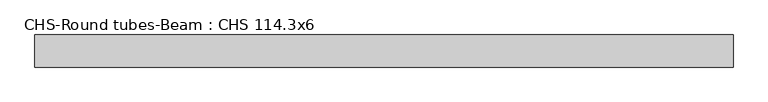
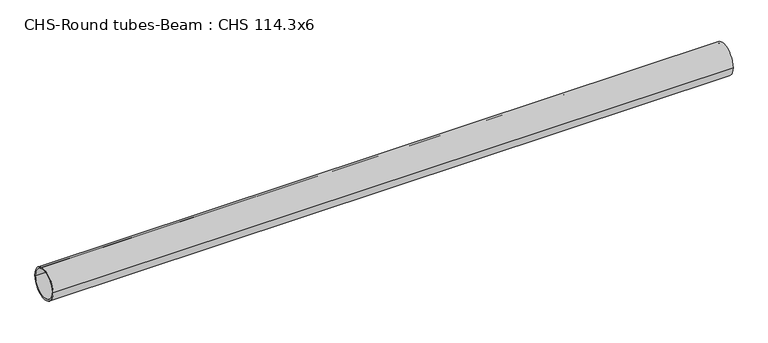
"""IFC4 building model written with IfcOpenShell, lengths in millimetres: beam geometry, CHS-Round tubes-Beam : CHS 114.3x6."""

import ifcopenshell
import ifcopenshell.guid

model = None  # the IFC model being written
_history = None  # IfcOwnerHistory: only IFC2X3 demands one
_inside = {}  # id of a spatial element -> (the spatial element, [elements in it])
_under = {}  # id of a project, library or spatial element -> (it, [spatial elements below it])
_declared = {}  # id of a project -> (the project, [libraries it declares])
_typed = {}  # id of a type object -> (the type object, [elements of that type])
_made_of = {}  # id of a material, layer set ... -> (it, [elements and type objects made of it])


def new_model(schema):
    """Start an empty IFC model of exactly this schema.

    Asked for "IFC4X3", IfcOpenShell would pick the latest addendum, in which some entities
    have other attributes; the version numbers below select the first issue.
    IFC2X3 requires an IfcOwnerHistory on every rooted entity: one is made here for all.
    """
    global model, _history
    if schema == "IFC4X3":
        model = ifcopenshell.file(schema_version=(4, 3, 0, 0))
    else:
        model = ifcopenshell.file(schema=schema)
    _inside.clear()
    _under.clear()
    _declared.clear()
    _typed.clear()
    _made_of.clear()
    _history = None
    if model.schema == "IFC2X3":
        org = make("IfcOrganization", Name="unknown")
        user = make(
            "IfcPersonAndOrganization",
            ThePerson=make("IfcPerson", FamilyName="unknown"),
            TheOrganization=org,
        )
        app = make(
            "IfcApplication",
            ApplicationDeveloper=org,
            Version="unknown",
            ApplicationFullName="unknown",
            ApplicationIdentifier="unknown",
        )
        _history = make(
            "IfcOwnerHistory",
            OwningUser=user,
            OwningApplication=app,
            ChangeAction="ADDED",
            CreationDate=0,
        )
    return model


def make(cls, **values):
    """One entity of the class cls with the attributes given. An attribute that is None is left unset."""
    return model.create_entity(
        cls, **{name: value for name, value in values.items() if value is not None}
    )


def rooted(cls, **values):
    """An entity with a GlobalId (a new one), such as an element, a storey or a relation."""
    return make(cls, GlobalId=ifcopenshell.guid.new(), OwnerHistory=_history, **values)


def si_unit(unit_type, name, prefix=None):
    """IfcSIUnit, for example si_unit("LENGTHUNIT", "METRE", prefix="MILLI")."""
    return make("IfcSIUnit", UnitType=unit_type, Prefix=prefix, Name=name)


def assignment(units):
    """IfcUnitAssignment: the units of a project."""
    return None if units is None else make("IfcUnitAssignment", Units=units)


def point(xyz):
    """IfcCartesianPoint."""
    return None if xyz is None else make("IfcCartesianPoint", Coordinates=xyz)


def direction(xyz):
    """IfcDirection."""
    return None if xyz is None else make("IfcDirection", DirectionRatios=xyz)


def frame(location, z_axis=None, x_axis=None):
    """IfcAxis2Placement3D, a coordinate frame: its origin and axes. An axis left out is left unset."""
    return make(
        "IfcAxis2Placement3D",
        Location=point(location),
        Axis=direction(z_axis),
        RefDirection=direction(x_axis),
    )


def frame_2d(location, x_axis=None):
    """IfcAxis2Placement2D, a coordinate frame in the plane: its origin and x axis."""
    return make(
        "IfcAxis2Placement2D", Location=point(location), RefDirection=direction(x_axis)
    )


def origin():
    """The frame at (0, 0, 0) with its axes left unset."""
    return frame((0.0, 0.0, 0.0))


def origin_2d():
    """The frame at (0, 0) in the plane with its x axis left unset."""
    return frame_2d((0.0, 0.0))


def place(relative_to, where):
    """IfcLocalPlacement: puts the frame where relative to a parent placement (None: the world)."""
    return make(
        "IfcLocalPlacement", PlacementRelTo=relative_to, RelativePlacement=where
    )


def context(
    kind, dimensions, precision=None, world=None, true_north=None, identifier=None
):
    """IfcGeometricRepresentationContext, for example the 3D "Model" context."""
    return make(
        "IfcGeometricRepresentationContext",
        ContextIdentifier=identifier,
        ContextType=kind,
        CoordinateSpaceDimension=dimensions,
        Precision=precision,
        WorldCoordinateSystem=world,
        TrueNorth=true_north,
    )


def project(units=None, contexts=None):
    """IfcProject with its units and contexts."""
    return rooted(
        "IfcProject",
        Name="project",
        RepresentationContexts=contexts,
        UnitsInContext=assignment(units),
    )


def spatial(cls, under=None, at=None, **own):
    """A site, building, storey or space (cls), placed at a placement, below another one or the project."""
    s = rooted(cls, ObjectPlacement=at, **own)
    if under is not None:
        _under.setdefault(under.id(), (under, []))[1].append(s)
    return s


def circle_curve(where, radius):
    """IfcCircle in the frame where."""
    return make("IfcCircle", Position=where, Radius=radius)


def trimmed(basis, trim1, trim2, sense, master):
    """IfcTrimmedCurve: the piece of a basis curve between two trims."""
    return make(
        "IfcTrimmedCurve",
        BasisCurve=basis,
        Trim1=trim1,
        Trim2=trim2,
        SenseAgreement=sense,
        MasterRepresentation=master,
    )


def segment(curve, same_sense, transition):
    """IfcCompositeCurveSegment."""
    return make(
        "IfcCompositeCurveSegment",
        Transition=transition,
        SameSense=same_sense,
        ParentCurve=curve,
    )


def composite_curve(segments, self_intersect=None):
    """IfcCompositeCurve: segments joined end to end."""
    return make("IfcCompositeCurve", Segments=segments, SelfIntersect=self_intersect)


def outline(outer, holes=None, kind="AREA"):
    """IfcArbitraryClosedProfileDef: a profile drawn as a closed curve; with holes, ...WithVoids."""
    if holes is None:
        return make("IfcArbitraryClosedProfileDef", ProfileType=kind, OuterCurve=outer)
    return make(
        "IfcArbitraryProfileDefWithVoids",
        ProfileType=kind,
        OuterCurve=outer,
        InnerCurves=holes,
    )


def extrude(swept, where, along, depth):
    """IfcExtrudedAreaSolid: the profile swept, set in the frame where, extruded along a direction by depth."""
    return make(
        "IfcExtrudedAreaSolid",
        SweptArea=swept,
        Position=where,
        ExtrudedDirection=direction(along),
        Depth=depth,
    )


def shape(context_of_items, identifier, shape_type, items):
    """IfcShapeRepresentation: the items that make up one representation, for example the "Body"."""
    return make(
        "IfcShapeRepresentation",
        ContextOfItems=context_of_items,
        RepresentationIdentifier=identifier,
        RepresentationType=shape_type,
        Items=items,
    )


def source(mapping_origin, context_of_items, identifier, shape_type, items):
    """IfcRepresentationMap: a shape defined once, which mapped items show again and again."""
    return make(
        "IfcRepresentationMap",
        MappingOrigin=mapping_origin,
        MappedRepresentation=shape(context_of_items, identifier, shape_type, items),
    )


def transform(
    local_origin,
    x_axis=None,
    y_axis=None,
    z_axis=None,
    scale=None,
    scale2=None,
    scale3=None,
    uniform=True,
):
    """IfcCartesianTransformationOperator3D, or its non-uniform kind. x_axis, y_axis, z_axis: its Axis1, 2, 3."""
    if uniform:
        return make(
            "IfcCartesianTransformationOperator3D",
            Axis1=direction(x_axis),
            Axis2=direction(y_axis),
            LocalOrigin=point(local_origin),
            Scale=scale,
            Axis3=direction(z_axis),
        )
    return make(
        "IfcCartesianTransformationOperator3DnonUniform",
        Axis1=direction(x_axis),
        Axis2=direction(y_axis),
        LocalOrigin=point(local_origin),
        Scale=scale,
        Axis3=direction(z_axis),
        Scale2=scale2,
        Scale3=scale3,
    )


def mapped(mapping_source, mapping_target):
    """IfcMappedItem: shows the shape of a source again, moved by a transform."""
    return make(
        "IfcMappedItem", MappingSource=mapping_source, MappingTarget=mapping_target
    )


def made_of(thing, what):
    """Note that an element or type object is made of a material, layer set ...; save() writes the relation."""
    if what is not None:
        _made_of.setdefault(what.id(), (what, []))[1].append(thing)
    return thing


def element(
    cls,
    number,
    at=None,
    inside=None,
    cuts=None,
    type_object=None,
    material=None,
    context=None,
    identifier="Body",
    shape_type=None,
    held_by="IfcProductDefinitionShape",
    body=None,
    shapes=None,
    **own,
):
    """One element of the class cls, such as IfcWall. Its Tag is "e" and its number.

    at: its placement. inside: the storey or other place that contains it. cuts: it is an
    opening in that element (IfcRelVoidsElement). A single representation is given by context,
    identifier, shape_type and body (its items); several are given by shapes. held_by: the class
    of the entity that holds the representations. save() writes the other relations.
    """
    e = rooted(cls, Tag="e%d" % number, ObjectPlacement=at, **own)
    if body is not None:
        shapes = [shape(context, identifier, shape_type, body)]
    if shapes is not None:
        e.Representation = make(held_by, Representations=shapes)
    if inside is not None:
        _inside.setdefault(inside.id(), (inside, []))[1].append(e)
    if cuts is not None:
        rooted(
            "IfcRelVoidsElement", RelatingBuildingElement=cuts, RelatedOpeningElement=e
        )
    if type_object is not None:
        _typed.setdefault(type_object.id(), (type_object, []))[1].append(e)
    return made_of(e, material)


def aggregate(whole, parts):
    """IfcRelAggregates: a whole, such as a stair, and the parts it consists of."""
    return rooted("IfcRelAggregates", RelatingObject=whole, RelatedObjects=parts)


def save(model, path):
    """Write the relations noted so far, then the file.

    IfcRelAggregates (storeys below a building ...), IfcRelContainedInSpatialStructure (elements
    in a storey), IfcRelDefinesByType, IfcRelAssociatesMaterial and IfcRelDeclares: one each for
    every whole, place, type object, material and project.
    """
    for whole, parts in _under.values():
        aggregate(whole, parts)
    for where, things in _inside.values():
        rooted(
            "IfcRelContainedInSpatialStructure",
            RelatedElements=things,
            RelatingStructure=where,
        )
    for kind, things in _typed.values():
        rooted("IfcRelDefinesByType", RelatedObjects=things, RelatingType=kind)
    for what, things in _made_of.values():
        rooted("IfcRelAssociatesMaterial", RelatedObjects=things, RelatingMaterial=what)
    for by, libraries in _declared.values():
        rooted("IfcRelDeclares", RelatingContext=by, RelatedDefinitions=libraries)
    model.write(path)


def chs_round_tubes_beam_chs_114_3x6_096123d2(model_context):
    return source(origin(), model_context, "Body", "SweptSolid", [
        extrude(outline(composite_curve([segment(trimmed(circle_curve(origin_2d(), 57.15), [point((57.15, 0.0))], [point((-57.15, 0.0))], False, "CARTESIAN"), True, "CONTINUOUS"), segment(trimmed(circle_curve(origin_2d(), 57.15), [point((-57.15, 0.0))], [point((57.15, 0.0))], False, "CARTESIAN"), True, "CONTINUOUS")], self_intersect=False), holes=[composite_curve([segment(trimmed(circle_curve(origin_2d(), 51.15), [point((51.15, 0.0))], [point((-51.15, 0.0))], True, "CARTESIAN"), True, "CONTINUOUS"), segment(trimmed(circle_curve(origin_2d(), 51.15), [point((-51.15, 0.0))], [point((51.15, 0.0))], True, "CARTESIAN"), True, "CONTINUOUS")], self_intersect=False)]), frame((-1220.3838834, 0.0, 0.0), z_axis=(1.0, 0.0, 0.0), x_axis=(0.0, 1.0, 0.0)), (0.0, 0.0, 1.0), 2484.465546),
    ])


if __name__ == "__main__":
    model = new_model("IFC4")
    model_context = context("Model", 3, world=origin())
    ifc_project = project(units=[si_unit("LENGTHUNIT", "METRE", prefix="MILLI")], contexts=[model_context])
    site = spatial("IfcSite", under=ifc_project)
    building = spatial("IfcBuilding", under=site)
    placement = place(None, origin())
    chs_round_tubes_beam_chs_114_3x6_shape = chs_round_tubes_beam_chs_114_3x6_096123d2(model_context)
    element("IfcBeam", 1, ObjectType="CHS-Round tubes-Beam : CHS 114.3x6", at=placement, inside=building, context=model_context, shape_type="MappedRepresentation", body=[
        mapped(chs_round_tubes_beam_chs_114_3x6_shape, transform((0.0, 0.0, 0.0), x_axis=(1.0, 0.0, 0.0), y_axis=(0.0, 1.0, 0.0), z_axis=(0.0, 0.0, 1.0))),
    ])
    save(model, "model.ifc")
